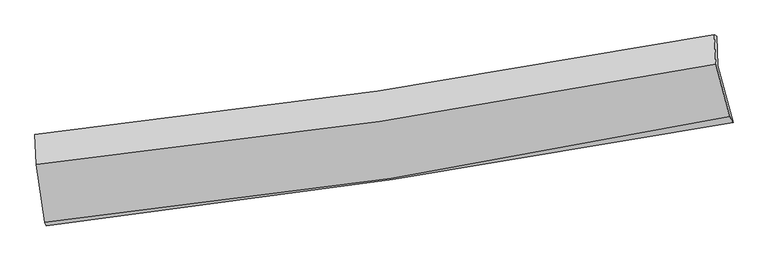
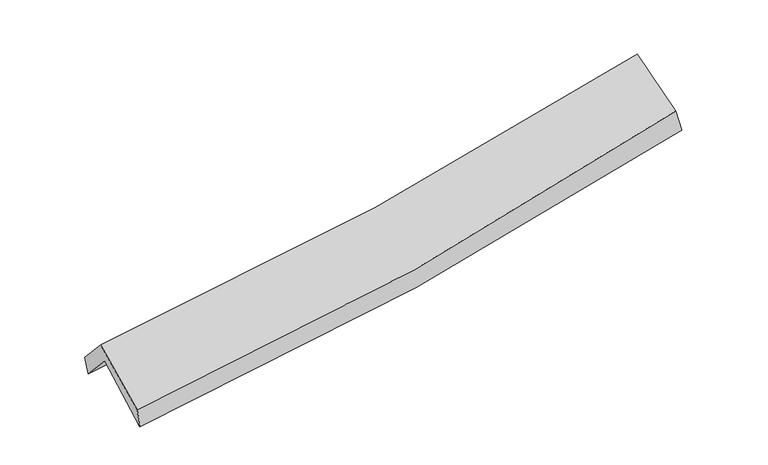
"""IFC4 building model written with IfcOpenShell, lengths in millimetres: proxy geometry."""

from ifc_helpers import new_model, si_unit, frame, origin, place, context, project, spatial, source, transform, mapped, element, save
from ifc_brep_helpers import plane_surface, spline_curve, spline_surface, advanced_brep


def generic_models_80580174(model_context):
    return source(origin(), model_context, "Body", "AdvancedBrep", [
        advanced_brep(
        [(-2989.535229, -2532.5406674, 1449.61555), (-3064.0853987, -2032.3330084, 1890.456706), (2984.4590948, -1104.8632864, 2418.4155775), (3120.5482151, -1612.8937383, 1988.3439875), (-3076.4708927, -1759.5112894, 1587.7542484), (2973.7570024, -843.7578132, 2106.5931438), (-3088.7510638, -1722.0420289, 1749.3968114), (2954.0530506, -832.0711548, 2265.5585788), (-3076.7363985, -1985.4324408, 2040.5337154), (2967.1893264, -1090.9740125, 2552.0438373), (-3001.4871501, -2504.3652323, 1623.3691346), (3090.9470068, -1560.6123972, 2172.8861972)],
        [
            (0, 1),
            (1, 2, spline_curve(3, [(-3064.0853987, -2032.3330084, 1890.456706), (-2042.266479727, -1911.475003725, 1937.000190783), (-1024.936403652, -1773.307477989, 2004.577218278), (991.160531254, -1463.824819744, 2180.959748078), (1990.011952984, -1292.835771378, 2289.369011044), (2984.4590948, -1104.8632864, 2418.4155775)], [4, 2, 4], [0.0, 10.178149499732172, 20.259972968828222])),
            (2, 3),
            (3, 0, spline_curve(3, [(3120.5482151, -1612.8937383, 1988.3439875), (2117.566522385, -1798.125251047, 1843.210083519), (1109.34793892, -1967.091581714, 1725.829958208), (-927.24599308, -2273.952852031, 1545.720935942), (-1955.721891462, -2411.535497201, 1483.524915451), (-2989.535229, -2532.5406674, 1449.61555)], [4, 2, 4], [0.0, 10.08182346909605, 20.259972968828222])),
            (1, 4),
            (4, 5, spline_curve(3, [(-3076.4708927, -1759.5112894, 1587.7542484), (-2053.89773971, -1642.354166207, 1627.143168308), (-1036.050719024, -1507.013943615, 1690.392679443), (980.602879569, -1201.420243469, 1863.788474343), (1979.498490708, -1031.509307708, 1973.485261538), (2973.7570024, -843.7578132, 2106.5931438)], [4, 2, 4], [0.0, 10.127260198970397, 20.158675983765935])),
            (5, 2),
            (4, 6),
            (6, 7, spline_curve(3, [(-3088.7510638, -1722.0420289, 1749.3968114), (-2067.739107634, -1612.297563197, 1791.895273473), (-1051.29351888, -1482.815076309, 1856.466942984), (962.888495769, -1185.78628512, 2028.936690494), (1960.710945522, -1018.6118137, 2136.418943019), (2954.0530506, -832.0711548, 2265.5585788)], [4, 2, 4], [0.0, 10.117568513491534, 20.139384334942214])),
            (7, 5),
            (6, 8),
            (8, 9, spline_curve(3, [(-3076.7363985, -1985.4324408, 2040.5337154), (-2055.225658471, -1880.898163377, 2088.836335899), (-1038.43750518, -1753.630857605, 2155.904954805), (976.115436696, -1455.049793306, 2326.761850974), (1973.969191847, -1284.164289782, 2430.196605943), (2967.1893264, -1090.9740125, 2552.0438373)], [4, 2, 4], [0.0, 10.109270859063523, 20.122867555107078])),
            (9, 7),
            (8, 10),
            (10, 11, spline_curve(3, [(-3001.4871501, -2504.3652323, 1623.3691346), (-1968.13341024, -2401.767326518, 1669.765482092), (-941.371011361, -2271.316581396, 1739.082930482), (1089.316203485, -1956.207599291, 1922.687082077), (2093.365190449, -1772.074065865, 2036.541988335), (3090.9470068, -1560.6123972, 2172.8861972)], [4, 2, 4], [0.0, 10.158656882274622, 20.221172212090266])),
            (11, 9),
            (10, 0),
            (3, 11),
        ],
        [
            spline_surface(3, 3, [[(-2989.535229, -2532.5406674, 1449.61555), (-1955.721891394, -2411.53549737, 1483.524915563), (-927.245993245, -2273.952851931, 1545.720935968), (1109.347939084, -1967.091581814, 1725.829958182), (2117.566522336, -1798.125250922, 1843.210083598), (3120.5482151, -1612.8937383, 1988.3439875)], [(-3014.385285591, -2365.804781043, 1596.562601993), (-1984.570087574, -2244.848666139, 1634.683340665), (-959.809463406, -2107.071060629, 1698.673030104), (1069.952136503, -1799.33599444, 1877.539888109), (2075.048332569, -1629.695424411, 1991.929726047), (3075.185175009, -1443.550254321, 2131.701184165)], [(-3039.235342109, -2199.068894757, 1743.509654007), (-2013.418283682, -2078.16183498, 1785.841765786), (-992.372933573, -1940.189269335, 1851.62512425), (1030.556333916, -1631.580407074, 2029.249818045), (2032.530142773, -1461.265597938, 2140.649368501), (3029.822134891, -1274.206770379, 2275.058380835)], [(-3064.0853987, -2032.3330084, 1890.456706), (-2042.266479863, -1911.475003749, 1937.000190887), (-1024.936403733, -1773.307478033, 2004.577218386), (991.160531335, -1463.8248197, 2180.959747972), (1990.011953006, -1292.835771427, 2289.369010951), (2984.4590948, -1104.8632864, 2418.4155775)]], [4, 4], [4, 2, 4], [0.0, 2.2550508395511084], [0.0, 10.178149499732172, 20.259972968828222]),
            spline_surface(3, 3, [[(-3064.0853987, -2032.3330084, 1890.456706), (-2042.266479863, -1911.475003749, 1937.000190887), (-1024.936403733, -1773.307478033, 2004.577218386), (991.160531335, -1463.8248197, 2180.959747972), (1990.011953006, -1292.835771427, 2289.369010951), (2984.4590948, -1104.8632864, 2418.4155775)], [(-3068.213896696, -1941.392435424, 1789.555886829), (-2046.143566517, -1821.768057951, 1833.71451673), (-1028.64117552, -1684.542966529, 1899.849038792), (987.641314115, -1376.356627665, 2075.235990083), (1986.507465541, -1205.726950187, 2184.074427811), (2980.891730669, -1017.828128689, 2314.474766266)], [(-3072.342394704, -1850.451862376, 1688.655067571), (-2050.020653184, -1732.061112079, 1730.428842484), (-1032.345947326, -1595.778455009, 1795.120859136), (984.122096877, -1288.888435614, 1969.512232133), (1983.002978068, -1118.618128879, 2078.779844672), (2977.324366531, -930.792970911, 2210.533955034)], [(-3076.4708927, -1759.5112894, 1587.7542484), (-2053.897739838, -1642.354166281, 1627.143168327), (-1036.050719113, -1507.013943504, 1690.392679543), (980.602879657, -1201.420243579, 1863.788474244), (1979.498490603, -1031.509307638, 1973.485261532), (2973.7570024, -843.7578132, 2106.5931438)]], [4, 4], [4, 2, 4], [0.0, 1.3513363405602865], [0.0, 10.127260198970397, 20.158675983765935]),
            spline_surface(3, 3, [[(-3076.4708927, -1759.5112894, 1587.7542484), (-2053.897739838, -1642.354166281, 1627.143168327), (-1036.050719113, -1507.013943504, 1690.392679543), (980.602879657, -1201.420243579, 1863.788474244), (1979.498490603, -1031.509307638, 1973.485261532), (2973.7570024, -843.7578132, 2106.5931438)], [(-3080.564283055, -1747.021535892, 1641.635102735), (-2058.511529104, -1632.335298541, 1682.060536696), (-1041.131652419, -1498.947654504, 1745.750767396), (974.698085061, -1196.208924053, 1918.837879593), (1973.235975517, -1027.21014294, 2027.79648873), (2967.189018456, -839.862260396, 2159.581622136)], [(-3084.657673445, -1734.531782408, 1695.515957065), (-2063.125318403, -1622.316430826, 1736.977905061), (-1046.212585699, -1490.881365467, 1801.108855293), (968.793290489, -1190.997604489, 1973.887284985), (1966.973460463, -1022.910978254, 2082.107715921), (2960.621034544, -835.966707604, 2212.570100464)], [(-3088.7510638, -1722.0420289, 1749.3968114), (-2067.739107669, -1612.297563086, 1791.895273431), (-1051.293519005, -1482.815076468, 1856.466943146), (962.888495893, -1185.786284963, 2028.936690334), (1960.710945377, -1018.611813556, 2136.41894312), (2954.0530506, -832.0711548, 2265.5585788)]], [4, 4], [4, 2, 4], [0.0, 0.549948914226628], [0.0, 10.117568513491534, 20.139384334942214]),
            spline_surface(3, 3, [[(-3088.7510638, -1722.0420289, 1749.3968114), (-2067.739107669, -1612.297563086, 1791.895273431), (-1051.293519005, -1482.815076468, 1856.466943146), (962.888495893, -1185.786284963, 2028.936690334), (1960.710945377, -1018.611813556, 2136.41894312), (2954.0530506, -832.0711548, 2265.5585788)], [(-3084.746175367, -1809.838832852, 1846.442446055), (-2063.567957969, -1701.831096463, 1890.875627556), (-1047.008181105, -1573.08700348, 1956.27961372), (967.297476202, -1275.540787756, 2128.211743861), (1965.13036087, -1107.129305583, 2234.344830703), (2958.431809185, -918.372107355, 2361.053664967)], [(-3080.741286933, -1897.635636848, 1943.488080745), (-2059.396808268, -1791.364629885, 1989.855981717), (-1042.722843205, -1663.358930523, 2056.092284291), (971.706456511, -1365.295290581, 2227.486797387), (1969.549776407, -1195.646797644, 2332.270718284), (2962.810567815, -1004.673059945, 2456.548751133)], [(-3076.7363985, -1985.4324408, 2040.5337154), (-2055.225658568, -1880.898163262, 2088.836335842), (-1038.437505305, -1753.630857535, 2155.904954865), (976.11543682, -1455.049793375, 2326.761850914), (1973.9691919, -1284.16428967, 2430.196605868), (2967.1893264, -1090.9740125, 2552.0438373)]], [4, 4], [4, 2, 4], [0.0, 1.321655688955524], [0.0, 10.109270859063523, 20.122867555107078]),
            spline_surface(3, 3, [[(-3076.7363985, -1985.4324408, 2040.5337154), (-2055.225658568, -1880.898163262, 2088.836335842), (-1038.437505305, -1753.630857535, 2155.904954865), (976.11543682, -1455.049793375, 2326.761850914), (1973.9691919, -1284.16428967, 2430.196605868), (2967.1893264, -1090.9740125, 2552.0438373)], [(-3051.653315702, -2158.410037965, 1901.47885513), (-2026.194909181, -2054.521217646, 1949.146051256), (-1006.082007343, -1926.192765515, 2016.96428001), (1013.849025766, -1622.102395298, 2192.070261347), (2013.76785806, -1446.800881685, 2298.978399979), (3008.44188656, -1247.520140729, 2425.65795726)], [(-3026.570232898, -2331.387635135, 1762.42399487), (-1997.164159788, -2228.144272036, 1809.45576668), (-973.72650944, -2098.754673529, 1878.023605178), (1051.582614655, -1789.154997255, 2057.378671802), (2053.56652414, -1609.437473712, 2167.760194109), (3049.69444664, -1404.066268971, 2299.27207724)], [(-3001.4871501, -2504.3652323, 1623.3691346), (-1968.1334104, -2401.767326419, 1669.765482093), (-941.371011479, -2271.31658151, 1739.082930323), (1089.316203601, -1956.207599178, 1922.687082235), (2093.3651903, -1772.074065726, 2036.54198822), (3090.9470068, -1560.6123972, 2172.8861972)]], [4, 4], [4, 2, 4], [0.0, 2.174146519644782], [0.0, 10.158656882274622, 20.221172212090266]),
            spline_surface(3, 3, [[(-3001.4871501, -2504.3652323, 1623.3691346), (-1968.1334104, -2401.767326419, 1669.765482093), (-941.371011479, -2271.31658151, 1739.082930323), (1089.316203601, -1956.207599178, 1922.687082235), (2093.3651903, -1772.074065726, 2036.54198822), (3090.9470068, -1560.6123972, 2172.8861972)], [(-2997.50317639, -2513.757044025, 1565.451273058), (-1963.996237388, -2405.023383427, 1607.685293241), (-936.662672087, -2272.195338323, 1674.628932209), (1095.993448743, -1959.835593396, 1857.068040888), (2101.432300966, -1780.757794135, 1972.098020018), (3100.81407622, -1578.03951091, 2111.372127305)], [(-2993.51920271, -2523.148855675, 1507.533411542), (-1959.859064406, -2408.279440362, 1545.605104415), (-931.954332637, -2273.074095117, 1610.174934083), (1102.670693943, -1963.463587596, 1791.448999529), (2109.499411671, -1789.441522513, 1907.6540518), (3110.68114568, -1595.46662459, 2049.858057395)], [(-2989.535229, -2532.5406674, 1449.61555), (-1955.721891394, -2411.53549737, 1483.524915563), (-927.245993245, -2273.952851931, 1545.720935968), (1109.347939084, -1967.091581814, 1725.829958182), (2117.566522336, -1798.125250922, 1843.210083598), (3120.5482151, -1612.8937383, 1988.3439875)]], [4, 4], [4, 2, 4], [0.0, 0.6428856753197884], [0.0, 10.217748840931222, 20.338796882968733]),
            plane_surface(frame((3015.1589494, -1174.1954004, 2250.6402203), z_axis=(0.9793794825051252, 0.17017644351794667, 0.10888437592040554), x_axis=(0.20085750830812016, -0.7622185175701427, -0.6153691516719273))),
            plane_surface(frame((-3049.5110221, -2089.3707779, 1723.5210276), z_axis=(-0.9933902497108895, -0.10247637252939401, -0.05171464833636098), x_axis=(-0.06774371417002575, 0.15969889744617968, 0.9848385915188969))),
        ],
        [
            (0, [[1, 2, 3, 4]]),
            (1, [[5, 6, 7, -2]]),
            (2, [[8, 9, 10, -6]]),
            (3, [[11, 12, 13, -9]]),
            (4, [[14, 15, 16, -12]]),
            (5, [[17, -4, 18, -15]]),
            (6, [[-16, -18, -3, -7, -10, -13]]),
            (7, [[-17, -14, -11, -8, -5, -1]]),
        ],
    ),
    ])


if __name__ == "__main__":
    model = new_model("IFC4")
    model_context = context("Model", 3, world=origin())
    ifc_project = project(units=[si_unit("LENGTHUNIT", "METRE", prefix="MILLI")], contexts=[model_context])
    site = spatial("IfcSite", under=ifc_project)
    building = spatial("IfcBuilding", under=site)
    placement = place(None, origin())
    generic_models_shape = generic_models_80580174(model_context)
    element("IfcBuildingElementProxy", 1, Name="Generic Models", at=placement, inside=building, context=model_context, shape_type="MappedRepresentation", body=[
        mapped(generic_models_shape, transform((0.0, 0.0, 0.0), x_axis=(1.0, 0.0, 0.0), y_axis=(0.0, 1.0, 0.0), z_axis=(0.0, 0.0, 1.0))),
    ])
    save(model, "model.ifc")
